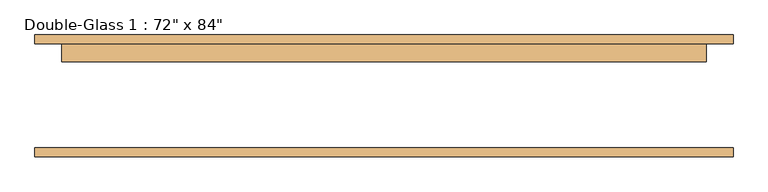
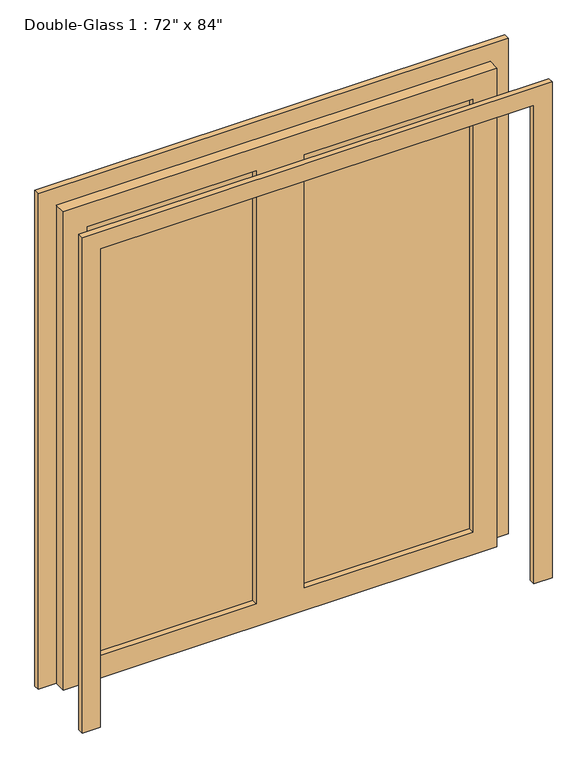
"""IFC4 building model written with IfcOpenShell, lengths in millimetres: door geometry."""

from ifc_helpers import new_model, si_unit, frame, origin, place, context, project, spatial, polyline, outline, extrude, source, transform, mapped, element, save


def door_e9d87526(model_context):
    return source(origin(), model_context, "Body", "SweptSolid", [
        extrude(outline(polyline([(0.0, 990.6), (2209.8, 990.6), (2209.8, -990.6), (0.0, -990.6), (0.0, -914.4), (2133.6, -914.4), (2133.6, 914.4), (0.0, 914.4), (0.0, 990.6)])), frame((0.0, -170.65625, 0.0), z_axis=(0.0, 1.0, 0.0), x_axis=(0.0, 0.0, 1.0)), (0.0, 0.0, 1.0), 25.4),
        extrude(outline(polyline([(2133.6, 914.4), (0.0, 914.4), (0.0, 990.6), (2209.8, 990.6), (2209.8, -990.6), (0.0, -990.6), (0.0, -914.4), (2133.6, -914.4), (2133.6, 914.4)])), frame((0.0, 150.01875, 0.0), z_axis=(0.0, 1.0, 0.0), x_axis=(0.0, 0.0, 1.0)), (0.0, 0.0, 1.0), 25.4),
        extrude(outline(polyline([(812.8, 124.61875), (101.6, 124.61875), (101.6, 131.7625), (812.8, 131.7625), (812.8, 124.61875)])), frame((0.0, 0.0, 101.6), z_axis=(0.0, 0.0, 1.0), x_axis=(1.0, 0.0, 0.0)), (0.0, 0.0, 1.0), 1930.4),
        extrude(outline(polyline([(-101.6, 124.61875), (-812.8, 124.61875), (-812.8, 131.7625), (-101.6, 131.7625), (-101.6, 124.61875)])), frame((0.0, 0.0, 101.6), z_axis=(0.0, 0.0, 1.0), x_axis=(1.0, 0.0, 0.0)), (0.0, 0.0, 1.0), 1930.4),
        extrude(outline(polyline([(2133.6, 914.4), (2133.6, -914.4), (0.0, -914.4), (0.0, 914.4), (2133.6, 914.4)]), holes=[polyline([(2032.0, -101.6), (101.6, -101.6), (101.6, -812.8), (2032.0, -812.8), (2032.0, -101.6)]), polyline([(2032.0, 812.8), (101.6, 812.8), (101.6, 101.6), (2032.0, 101.6), (2032.0, 812.8)])]), frame((0.0, 99.21875, 0.0), z_axis=(0.0, 1.0, 0.0), x_axis=(0.0, 0.0, 1.0)), (0.0, 0.0, 1.0), 50.8),
    ])


if __name__ == "__main__":
    model = new_model("IFC4")
    model_context = context("Model", 3, world=origin())
    ifc_project = project(units=[si_unit("LENGTHUNIT", "METRE", prefix="MILLI")], contexts=[model_context])
    site = spatial("IfcSite", under=ifc_project)
    building = spatial("IfcBuilding", under=site)
    placement = place(None, origin())
    door_shape = door_e9d87526(model_context)
    element("IfcDoor", 1, ObjectType="Double-Glass 1 : 72\" x 84\"", at=placement, inside=building, context=model_context, shape_type="MappedRepresentation", body=[
        mapped(door_shape, transform((0.0, 0.0, 0.0), x_axis=(1.0, 0.0, 0.0), y_axis=(0.0, 1.0, 0.0), z_axis=(0.0, 0.0, 1.0))),
    ])
    save(model, "model.ifc")
